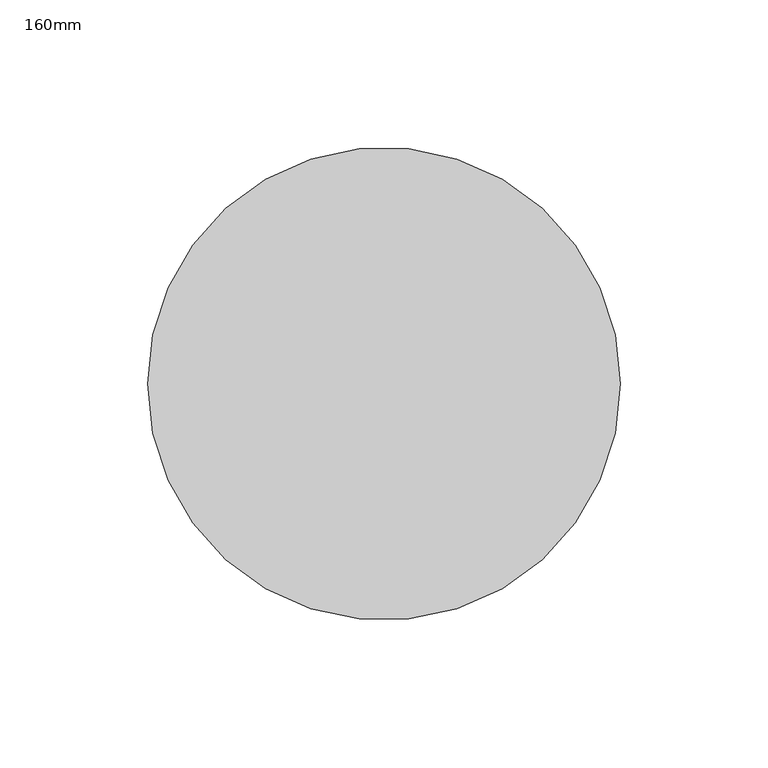
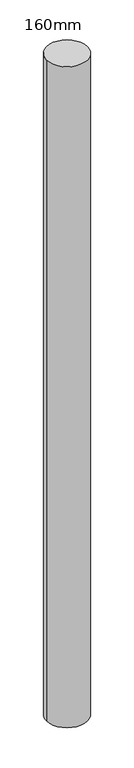
"""IFC4 building model written with IfcOpenShell, lengths in millimetres: column geometry, 160mm."""

from ifc_helpers import new_model, si_unit, point, frame, origin, origin_2d, place, context, project, spatial, circle_curve, trimmed, segment, composite_curve, outline, extrude, source, transform, mapped, element, save


def column_160mm_4826729a(model_context):
    return source(origin(), model_context, "Body", "SweptSolid", [
        extrude(outline(composite_curve([segment(trimmed(circle_curve(origin_2d(), 80.0), [point((-80.0, 0.0))], [point((80.0, 0.0))], False, "CARTESIAN"), True, "CONTINUOUS"), segment(trimmed(circle_curve(origin_2d(), 80.0), [point((80.0, 0.0))], [point((-80.0, 0.0))], False, "CARTESIAN"), True, "CONTINUOUS")], self_intersect=False)), frame((0.0, 0.0, 5920.0), z_axis=(0.0, 0.0, 1.0), x_axis=(1.0, 0.0, 0.0)), (0.0, 0.0, 1.0), 2740.0),
    ])


if __name__ == "__main__":
    model = new_model("IFC4")
    model_context = context("Model", 3, world=origin())
    ifc_project = project(units=[si_unit("LENGTHUNIT", "METRE", prefix="MILLI")], contexts=[model_context])
    site = spatial("IfcSite", under=ifc_project)
    building = spatial("IfcBuilding", under=site)
    placement = place(None, origin())
    column_160mm_shape = column_160mm_4826729a(model_context)
    element("IfcColumn", 1, ObjectType="160mm", at=placement, inside=building, context=model_context, shape_type="MappedRepresentation", body=[
        mapped(column_160mm_shape, transform((0.0, 0.0, 0.0), x_axis=(1.0, 0.0, 0.0), y_axis=(0.0, 1.0, 0.0), z_axis=(0.0, 0.0, 1.0))),
    ])
    save(model, "model.ifc")
